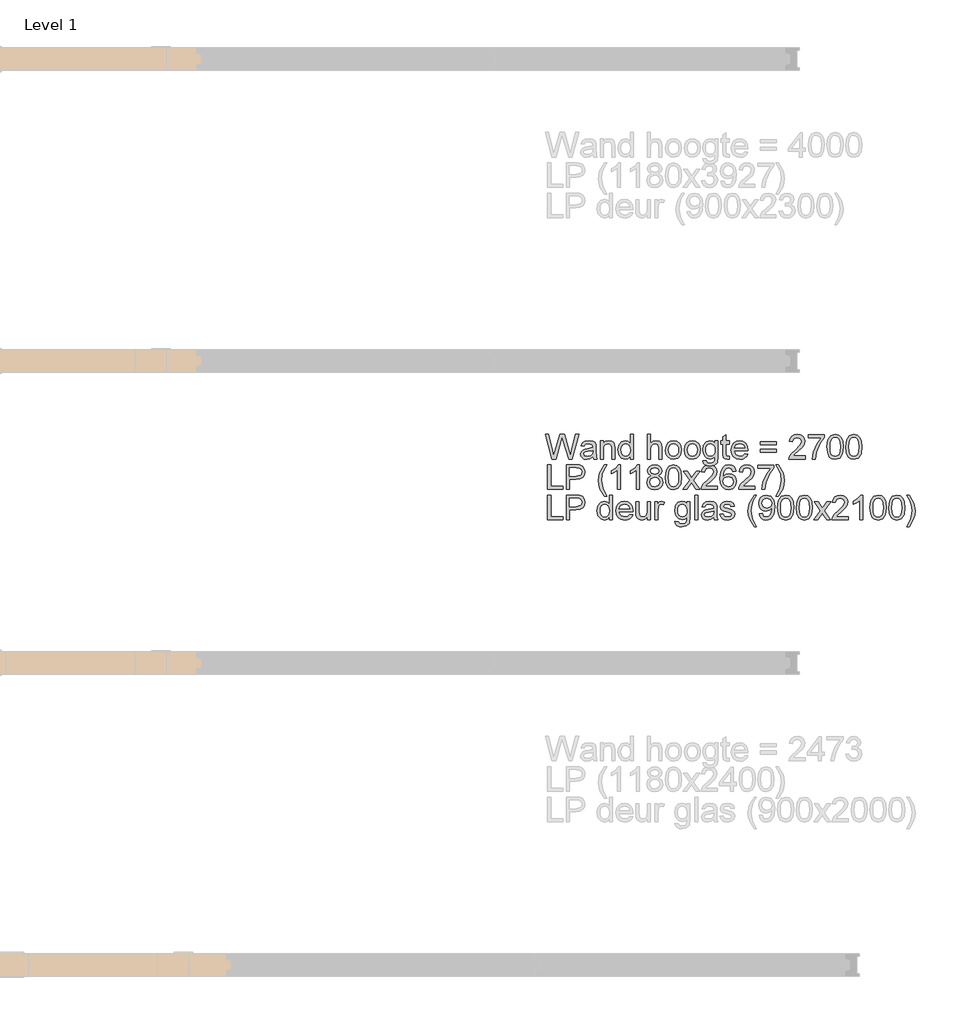
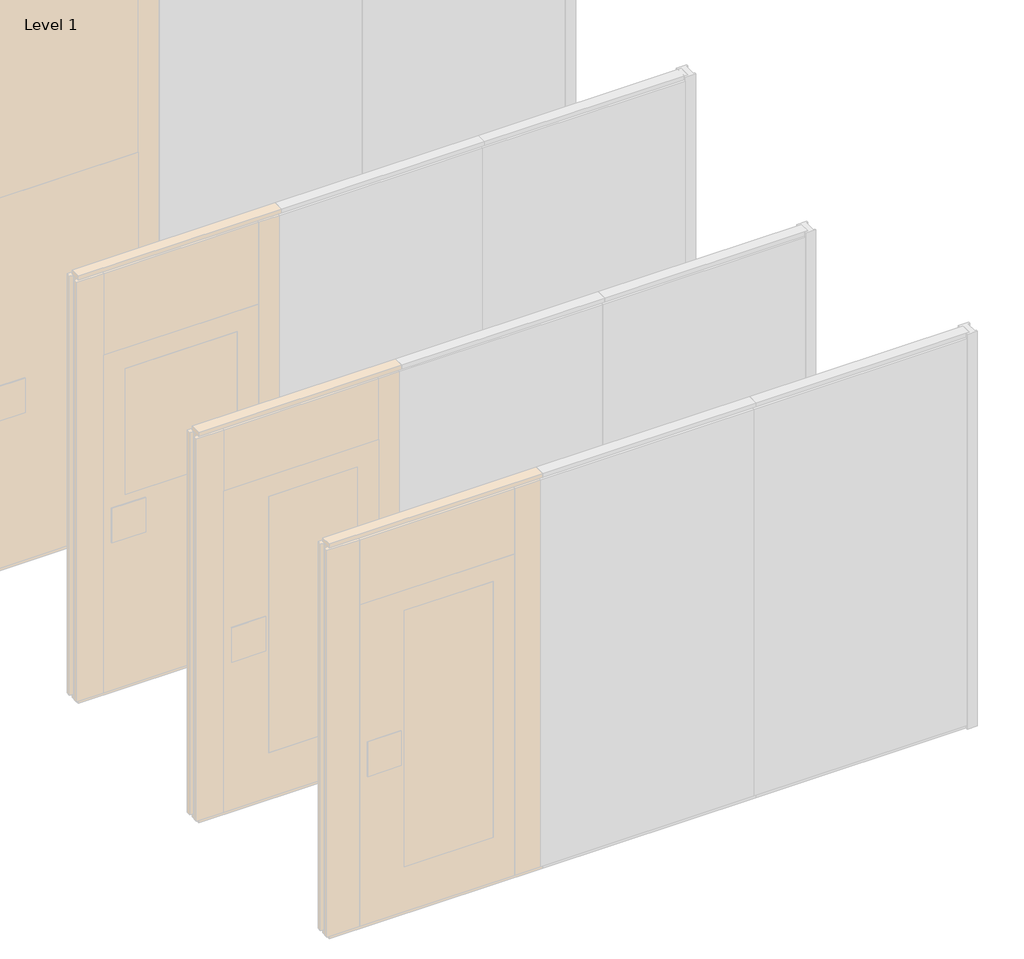
# One storey, part 14 of 17: 1 proxy.
"""IFC4 building model written with IfcOpenShell, lengths in millimetres."""

from ifc_helpers import new_model, si_unit, origin, origin_with_axes, place, context, project, spatial, polyline, outline, extrude, element, save

model = new_model("IFC4")

# Units and contexts
model_context = context("Model", 3, world=origin())
ifc_project = project(units=[si_unit("LENGTHUNIT", "METRE", prefix="MILLI")], contexts=[model_context])

# Site, building, storey
site = spatial("IfcSite", under=ifc_project)
building = spatial("IfcBuilding", under=site)
storey = spatial("IfcBuildingStorey", under=building, Name="Level 1", Elevation=0.0)

# Proxy
placement = place(None, origin())
element("IfcBuildingElementProxy", 1, Name="100 mm", ObjectType="100 mm", at=placement, inside=storey, context=model_context, shape_type="SweptSolid", body=[
    extrude(outline(polyline([(-2181.5016279, 2912.9102169), (-2208.3525894, 3011.3717554), (-2195.6602817, 3011.3717554), (-2180.0833587, 2946.6602169), (-2175.2756664, 2926.6842554), (-2170.1314356, 2944.3525246), (-2150.6122048, 3011.3717554), (-2132.3189356, 3011.3717554), (-2118.1362433, 2962.7900246), (-2107.5833587, 2926.6842554), (-2102.9198971, 2946.0832938), (-2087.1987433, 3011.3717554), (-2074.5064356, 3011.3717554), (-2101.3814356, 2912.9102169), (-2114.530474, 2912.9102169), (-2138.1362433, 2988.8717554), (-2141.4295125, 2999.4727169), (-2145.1314356, 2986.7082938), (-2166.6458587, 2912.9102169), (-2181.5016279, 2912.9102169)])), origin_with_axes(), (0.0, 0.0, 1.0), 5.0),
    extrude(outline(polyline([(-2017.5833587, 2922.1409861), (-2029.5184548, 2913.79964), (-2042.703551, 2911.3717554), (-2052.9890077, 2912.8320919), (-2060.5761471, 2917.2131015), (-2065.2546327, 2923.8657457), (-2066.8141279, 2932.1409861), (-2064.4583587, 2941.8765631), (-2058.2684548, 2948.9438707), (-2049.6506664, 2952.9823323), (-2039.0016279, 2954.8332938), (-2017.655474, 2959.0640631), (-2017.5833587, 2961.8044477), (-2020.9727817, 2970.8909861), (-2034.578551, 2974.4486784), (-2047.030474, 2972.08089), (-2052.967974, 2963.6794477), (-2065.2756664, 2965.2179092), (-2059.9511471, 2977.23714), (-2049.2299933, 2984.2804092), (-2032.9920125, 2986.7563707), (-2018.0761471, 2984.5688707), (-2009.6506664, 2979.0760823), (-2005.8766279, 2970.7227169), (-2005.2756664, 2959.9534861), (-2005.2756664, 2944.6409861), (-2004.6506664, 2923.2587746), (-2002.1987433, 2912.9102169), (-2014.5064356, 2912.9102169), (-2017.5833587, 2922.1409861)]), holes=[polyline([(-2017.5833587, 2946.7563707), (-2037.4391279, 2942.9823323), (-2048.0280702, 2940.98714), (-2052.8237433, 2937.7419477), (-2054.5064356, 2933.0063707), (-2050.8405702, 2926.3477169), (-2040.0833587, 2923.6794477), (-2027.6314356, 2926.6241592), (-2019.6025894, 2933.7515631), (-2017.655474, 2943.2707938), (-2017.5833587, 2946.7563707)])]), origin_with_axes(), (0.0, 0.0, 1.0), 5.0),
    extrude(outline(polyline([(-1988.3525894, 2912.9102169), (-1988.3525894, 2985.2179092), (-1976.0448971, 2985.2179092), (-1976.0448971, 2975.1217554), (-1966.6338394, 2983.8477169), (-1953.7852817, 2986.7563707), (-1942.1626856, 2984.4126207), (-1934.2299933, 2978.2587746), (-1930.5400894, 2969.2082938), (-1929.891051, 2957.3092554), (-1929.891051, 2912.9102169), (-1942.1987433, 2912.9102169), (-1942.1987433, 2955.6506015), (-1943.6170125, 2966.5400246), (-1948.6290317, 2972.2972361), (-1957.078551, 2974.4486784), (-1970.4319164, 2969.6169477), (-1974.6416519, 2962.6157457), (-1976.0448971, 2951.2756015), (-1976.0448971, 2912.9102169), (-1988.3525894, 2912.9102169)])), origin_with_axes(), (0.0, 0.0, 1.0), 5.0),
    extrude(outline(polyline([(-1868.3525894, 2912.9102169), (-1868.3525894, 2924.5207938), (-1876.4956183, 2914.659015), (-1887.7516279, 2911.3717554), (-1902.9920125, 2916.1313707), (-1913.7612433, 2929.4126207), (-1917.5833587, 2948.9919477), (-1914.061724, 2968.5832938), (-1903.5088394, 2982.0688707), (-1887.7997048, 2986.7563707), (-1876.453551, 2983.4030054), (-1868.3525894, 2974.6890631), (-1868.3525894, 3011.3717554), (-1856.0448971, 3011.3717554), (-1856.0448971, 2912.9102169), (-1868.3525894, 2912.9102169)]), holes=[polyline([(-1905.2756664, 2949.0400246), (-1903.8874452, 2937.9072121), (-1899.7227817, 2929.9895438), (-1893.671099, 2925.2569717), (-1886.6218202, 2923.6794477), (-1879.5755462, 2925.1848563), (-1873.6771087, 2929.7010823), (-1869.6837192, 2937.3122602), (-1868.3525894, 2948.1025246), (-1869.7077577, 2959.8993996), (-1873.7732625, 2968.0784861), (-1879.8219404, 2972.8561304), (-1887.1266279, 2974.4486784), (-1894.2480221, 2972.9192313), (-1900.0833587, 2968.33089), (-1903.9775894, 2960.4492794), (-1905.2756664, 2949.0400246)])]), origin_with_axes(), (0.0, 0.0, 1.0), 5.0),
    extrude(outline(polyline([(-1799.1218202, 2912.9102169), (-1799.1218202, 3011.3717554), (-1786.8141279, 3011.3717554), (-1786.8141279, 2975.1698323), (-1777.2167721, 2983.8597361), (-1765.3958587, 2986.7563707), (-1751.5737433, 2983.5953131), (-1743.1843202, 2974.8573323), (-1740.6602817, 2958.6794477), (-1740.6602817, 2912.9102169), (-1752.967974, 2912.9102169), (-1752.967974, 2957.4054092), (-1756.8862433, 2970.3861784), (-1767.9920125, 2974.4486784), (-1778.0761471, 2971.7082938), (-1784.8069164, 2964.2804092), (-1786.8141279, 2951.3236784), (-1786.8141279, 2912.9102169), (-1799.1218202, 2912.9102169)])), origin_with_axes(), (0.0, 0.0, 1.0), 5.0),
    extrude(outline(polyline([(-1726.8141279, 2949.0640631), (-1724.1518683, 2966.4979573), (-1716.1650894, 2978.7515631), (-1706.297301, 2984.7551688), (-1694.4823971, 2986.7563707), (-1681.5527096, 2984.3194717), (-1671.2251856, 2977.0087746), (-1664.4553539, 2965.4012025), (-1662.1987433, 2950.0736784), (-1666.1891279, 2928.17464), (-1677.811724, 2915.7828131), (-1694.4823971, 2911.3717554), (-1707.5683346, 2913.79964), (-1717.8838394, 2921.0832938), (-1724.5815558, 2932.9342554), (-1726.8141279, 2949.0640631)]), holes=[polyline([(-1714.5064356, 2949.0881015), (-1713.0821567, 2937.9492794), (-1708.8093202, 2930.0135823), (-1702.3790317, 2925.2629813), (-1694.4823971, 2923.6794477), (-1686.6218202, 2925.2719957), (-1680.203551, 2930.04964), (-1675.9307144, 2938.0905054), (-1674.5064356, 2949.4727169), (-1675.9397289, 2960.2870198), (-1680.2396087, 2968.1145438), (-1686.6668923, 2972.8651448), (-1694.4823971, 2974.4486784), (-1702.3790317, 2972.8711544), (-1708.8093202, 2968.1385823), (-1713.0821567, 2960.220914), (-1714.5064356, 2949.0881015)])]), origin_with_axes(), (0.0, 0.0, 1.0), 5.0),
    extrude(outline(polyline([(-1651.4295125, 2949.0640631), (-1648.7672529, 2966.4979573), (-1640.780474, 2978.7515631), (-1630.9126856, 2984.7551688), (-1619.0977817, 2986.7563707), (-1606.1680942, 2984.3194717), (-1595.8405702, 2977.0087746), (-1589.0707385, 2965.4012025), (-1586.8141279, 2950.0736784), (-1590.8045125, 2928.17464), (-1602.4271087, 2915.7828131), (-1619.0977817, 2911.3717554), (-1632.1837192, 2913.79964), (-1642.499224, 2921.0832938), (-1649.1969404, 2932.9342554), (-1651.4295125, 2949.0640631)]), holes=[polyline([(-1639.1218202, 2949.0881015), (-1637.6975414, 2937.9492794), (-1633.4247048, 2930.0135823), (-1626.9944164, 2925.2629813), (-1619.0977817, 2923.6794477), (-1611.2372048, 2925.2719957), (-1604.8189356, 2930.04964), (-1600.546099, 2938.0905054), (-1599.1218202, 2949.4727169), (-1600.5551135, 2960.2870198), (-1604.8549933, 2968.1145438), (-1611.2822769, 2972.8651448), (-1619.0977817, 2974.4486784), (-1626.9944164, 2972.8711544), (-1633.4247048, 2968.1385823), (-1637.6975414, 2960.220914), (-1639.1218202, 2949.0881015)])]), origin_with_axes(), (0.0, 0.0, 1.0), 5.0),
    extrude(outline(polyline([(-1576.0448971, 2906.7563707), (-1563.7372048, 2905.2179092), (-1559.7468202, 2898.7275246), (-1547.7997048, 2895.98714), (-1535.203551, 2899.0881015), (-1529.1939356, 2907.7900246), (-1528.3525894, 2922.1409861), (-1537.0184548, 2915.2179092), (-1547.5833587, 2912.9102169), (-1560.2726615, 2915.596515), (-1569.734801, 2923.6554092), (-1575.6212192, 2935.4703131), (-1577.5833587, 2949.42464), (-1574.061724, 2968.4991592), (-1563.8694164, 2981.9967554), (-1548.1843202, 2986.7563707), (-1537.2047529, 2984.0640631), (-1528.3525894, 2975.98714), (-1528.3525894, 2985.2179092), (-1516.0448971, 2985.2179092), (-1516.0448971, 2922.7900246), (-1519.4102817, 2898.8837746), (-1530.0713394, 2887.7659861), (-1548.0400894, 2883.6794477), (-1559.4914115, 2885.1187506), (-1568.5088394, 2889.4366592), (-1574.2930942, 2896.6451929), (-1576.0448971, 2906.7563707)]), holes=[polyline([(-1565.2756664, 2950.2659861), (-1563.9625654, 2938.9769236), (-1560.0232625, 2931.2155054), (-1554.1007865, 2926.7173082), (-1546.8381664, 2925.2179092), (-1539.6296327, 2926.7082938), (-1533.6771087, 2931.1794477), (-1529.6837192, 2938.8417073), (-1528.3525894, 2949.9054092), (-1529.7227817, 2960.5754813), (-1533.8333587, 2968.2587746), (-1539.8730221, 2972.9012025), (-1547.030474, 2974.4486784), (-1554.0587192, 2972.9252409), (-1559.9511471, 2968.3549284), (-1563.9445365, 2960.7858179), (-1565.2756664, 2950.2659861)])]), origin_with_axes(), (0.0, 0.0, 1.0), 5.0),
    extrude(outline(polyline([(-1471.4295125, 2923.17464), (-1469.891051, 2912.54964), (-1479.0977817, 2911.3717554), (-1489.4102817, 2913.4150246), (-1494.5545125, 2918.7756015), (-1496.0448971, 2932.7419477), (-1496.0448971, 2972.9102169), (-1505.2756664, 2972.9102169), (-1505.2756664, 2985.2179092), (-1496.0448971, 2985.2179092), (-1496.0448971, 3002.7900246), (-1483.7372048, 3010.0256015), (-1483.7372048, 2985.2179092), (-1471.4295125, 2985.2179092), (-1471.4295125, 2972.9102169), (-1483.7372048, 2972.9102169), (-1483.7372048, 2933.1025246), (-1483.0881664, 2926.7563707), (-1480.984801, 2924.5087746), (-1476.7900894, 2923.6794477), (-1471.4295125, 2923.17464)])), origin_with_axes(), (0.0, 0.0, 1.0), 5.0),
    extrude(outline(polyline([(-1408.4968202, 2934.4486784), (-1396.4295125, 2932.9102169), (-1400.7774692, 2923.8176688), (-1407.7155702, 2917.0207938), (-1417.0875654, 2912.784015), (-1428.7372048, 2911.3717554), (-1443.1783106, 2913.8086544), (-1454.2900894, 2921.1193515), (-1461.375426, 2932.8290871), (-1463.7372048, 2948.4631015), (-1461.3513875, 2964.6229573), (-1454.1939356, 2976.7082938), (-1443.2323971, 2984.2443515), (-1429.4343202, 2986.7563707), (-1416.0659308, 2984.2503611), (-1405.3838394, 2976.7323323), (-1398.3796327, 2964.6710342), (-1396.0448971, 2948.5352169), (-1396.1170125, 2945.2179092), (-1451.4295125, 2945.2179092), (-1449.2991039, 2936.0051688), (-1444.3501856, 2929.2323323), (-1428.4968202, 2923.6794477), (-1416.4295125, 2926.2515631), (-1408.4968202, 2934.4486784)]), holes=[polyline([(-1451.4295125, 2957.5256015), (-1408.3525894, 2957.5256015), (-1413.280474, 2968.6794477), (-1420.4559548, 2973.0063707), (-1429.4823971, 2974.4486784), (-1444.6386471, 2969.8453131), (-1451.4295125, 2957.5256015)])]), origin_with_axes(), (0.0, 0.0, 1.0), 5.0),
    extrude(outline(polyline([(-1282.1987433, 2969.8332938), (-1346.8141279, 2969.8332938), (-1346.8141279, 2982.1409861), (-1282.1987433, 2982.1409861), (-1282.1987433, 2969.8332938)])), origin_with_axes(), (0.0, 0.0, 1.0), 5.0),
    extrude(outline(polyline([(-1282.1987433, 2940.6025246), (-1346.8141279, 2940.6025246), (-1346.8141279, 2952.9102169), (-1282.1987433, 2952.9102169), (-1282.1987433, 2940.6025246)])), origin_with_axes(), (0.0, 0.0, 1.0), 5.0),
    extrude(outline(polyline([(-1166.8141279, 2925.2179092), (-1166.8141279, 2912.9102169), (-1231.4295125, 2912.9102169), (-1230.1073971, 2921.3957938), (-1222.6314356, 2934.4606977), (-1207.2227817, 2948.7275246), (-1185.9727817, 2969.2323323), (-1180.6602817, 2983.17464), (-1185.672301, 2994.4606977), (-1198.7612433, 2999.0640631), (-1212.4030702, 2994.5688707), (-1217.5833587, 2982.1409861), (-1229.891051, 2983.6794477), (-1226.9072769, 2995.5844957), (-1220.4559548, 3004.2804092), (-1210.8736231, 3009.5989188), (-1198.4968202, 3011.3717554), (-1186.0298731, 3009.4006015), (-1176.4655702, 3003.48714), (-1170.3808346, 2994.6530054), (-1168.3525894, 2983.9198323), (-1170.5400894, 2972.2491592), (-1177.811724, 2960.1818515), (-1195.4439356, 2943.3188707), (-1209.6025894, 2931.4799284), (-1215.155474, 2925.2179092), (-1166.8141279, 2925.2179092)])), origin_with_axes(), (0.0, 0.0, 1.0), 5.0),
    extrude(outline(polyline([(-1154.5064356, 2997.5256015), (-1154.5064356, 3009.8332938), (-1089.891051, 3009.8332938), (-1089.891051, 2999.8813707), (-1108.2203779, 2973.4030054), (-1122.2468202, 2939.6650246), (-1126.8141279, 2912.9102169), (-1139.1218202, 2912.9102169), (-1134.2299933, 2940.67464), (-1120.8045125, 2972.0568515), (-1102.1987433, 2997.5256015), (-1154.5064356, 2997.5256015)])), origin_with_axes(), (0.0, 0.0, 1.0), 5.0),
    extrude(outline(polyline([(-1079.1218202, 2961.3477169), (-1075.5040317, 2989.6770438), (-1064.7588394, 3006.0111784), (-1046.8141279, 3011.3717554), (-1032.4391279, 3008.1986784), (-1022.5112433, 2999.0520438), (-1016.7420125, 2984.4847361), (-1014.5064356, 2961.3477169), (-1018.0881664, 2933.1385823), (-1028.797301, 2916.76839), (-1046.8141279, 2911.3717554), (-1059.6025894, 2913.7155054), (-1069.3141279, 2920.7467554), (-1076.6698971, 2937.3993996), (-1079.1218202, 2961.3477169)]), holes=[polyline([(-1066.8141279, 2961.3717554), (-1065.3718202, 2942.0117794), (-1061.0448971, 2930.8068515), (-1054.6025894, 2925.4612986), (-1046.8141279, 2923.6794477), (-1039.0256664, 2925.4673082), (-1032.5833587, 2930.83089), (-1028.2564356, 2942.0418275), (-1026.8141279, 2961.3717554), (-1028.2083587, 2980.2960342), (-1032.391051, 2991.5881015), (-1038.8213394, 2997.1950727), (-1046.9583587, 2999.0640631), (-1054.6626856, 2997.4174284), (-1060.8525894, 2992.4775246), (-1065.3237433, 2980.4823323), (-1066.8141279, 2961.3717554)])]), origin_with_axes(), (0.0, 0.0, 1.0), 5.0),
    extrude(outline(polyline([(-1003.7372048, 2961.3477169), (-1000.1194164, 2989.6770438), (-989.374224, 3006.0111784), (-971.4295125, 3011.3717554), (-957.0545125, 3008.1986784), (-947.1266279, 2999.0520438), (-941.3573971, 2984.4847361), (-939.1218202, 2961.3477169), (-942.703551, 2933.1385823), (-953.4126856, 2916.76839), (-971.4295125, 2911.3717554), (-984.217974, 2913.7155054), (-993.9295125, 2920.7467554), (-1001.2852817, 2937.3993996), (-1003.7372048, 2961.3477169)]), holes=[polyline([(-991.4295125, 2961.3717554), (-989.9872048, 2942.0117794), (-985.6602817, 2930.8068515), (-979.217974, 2925.4612986), (-971.4295125, 2923.6794477), (-963.641051, 2925.4673082), (-957.1987433, 2930.83089), (-952.8718202, 2942.0418275), (-951.4295125, 2961.3717554), (-952.8237433, 2980.2960342), (-957.0064356, 2991.5881015), (-963.436724, 2997.1950727), (-971.5737433, 2999.0640631), (-979.2780702, 2997.4174284), (-985.467974, 2992.4775246), (-989.9391279, 2980.4823323), (-991.4295125, 2961.3717554)])]), origin_with_axes(), (0.0, 0.0, 1.0), 5.0),
    extrude(outline(polyline([(-2199.1218202, 2791.3717554), (-2199.1218202, 2889.8332938), (-2186.8141279, 2889.8332938), (-2186.8141279, 2803.6794477), (-2137.5833587, 2803.6794477), (-2137.5833587, 2791.3717554), (-2199.1218202, 2791.3717554)])), origin_with_axes(), (0.0, 0.0, 1.0), 5.0),
    extrude(outline(polyline([(-2123.7372048, 2791.3717554), (-2123.7372048, 2889.8332938), (-2087.2468202, 2889.8332938), (-2072.5352817, 2888.8957938), (-2060.5761471, 2884.2924284), (-2052.8237433, 2874.7731977), (-2049.891051, 2861.3477169), (-2051.8712192, 2849.7431496), (-2057.811724, 2840.0736784), (-2068.9204981, 2833.5472361), (-2086.405474, 2831.3717554), (-2111.4295125, 2831.3717554), (-2111.4295125, 2791.3717554), (-2123.7372048, 2791.3717554)]), holes=[polyline([(-2111.4295125, 2843.6794477), (-2085.6843202, 2843.6794477), (-2067.5593202, 2848.1986784), (-2063.5388875, 2853.6373804), (-2062.1987433, 2860.9150246), (-2065.359801, 2871.1073323), (-2073.6650894, 2876.6842554), (-2085.9727817, 2877.5256015), (-2111.4295125, 2877.5256015), (-2111.4295125, 2843.6794477)])]), origin_with_axes(), (0.0, 0.0, 1.0), 5.0),
    extrude(outline(polyline([(-1971.4295125, 2763.6794477), (-1988.905474, 2792.54964), (-1994.2600414, 2809.3885823), (-1996.0448971, 2826.8284861), (-1990.7083587, 2856.7563707), (-1971.4295125, 2889.8332938), (-1962.1987433, 2889.8332938), (-1973.7131664, 2870.3381015), (-1980.6362433, 2851.4438707), (-1983.7372048, 2826.7563707), (-1978.3525894, 2795.20589), (-1962.1987433, 2763.6794477), (-1971.4295125, 2763.6794477)])), origin_with_axes(), (0.0, 0.0, 1.0), 5.0),
    extrude(outline(polyline([(-1906.8141279, 2791.3717554), (-1919.1218202, 2791.3717554), (-1919.1218202, 2868.1025246), (-1930.780474, 2859.7972361), (-1943.7372048, 2853.5832938), (-1943.7372048, 2865.2179092), (-1925.6963394, 2876.7323323), (-1914.7468202, 2889.8332938), (-1906.8141279, 2889.8332938), (-1906.8141279, 2791.3717554)])), origin_with_axes(), (0.0, 0.0, 1.0), 5.0),
    extrude(outline(polyline([(-1831.4295125, 2791.3717554), (-1843.7372048, 2791.3717554), (-1843.7372048, 2868.1025246), (-1855.3958587, 2859.7972361), (-1868.3525894, 2853.5832938), (-1868.3525894, 2865.2179092), (-1850.311724, 2876.7323323), (-1839.3622048, 2889.8332938), (-1831.4295125, 2889.8332938), (-1831.4295125, 2791.3717554)])), origin_with_axes(), (0.0, 0.0, 1.0), 5.0),
    extrude(outline(polyline([(-1784.266051, 2845.6025246), (-1795.4799933, 2853.2467554), (-1799.1218202, 2865.1457938), (-1797.1386471, 2874.7671881), (-1791.1891279, 2882.7179092), (-1781.9403298, 2888.0544477), (-1770.0593202, 2889.8332938), (-1758.1061952, 2888.0123804), (-1748.7372048, 2882.54964), (-1742.6795125, 2874.4727169), (-1740.6602817, 2864.8092554), (-1744.2540317, 2853.2106977), (-1755.155474, 2845.6025246), (-1742.0665317, 2835.9510823), (-1737.5833587, 2820.0256015), (-1739.8069164, 2808.2587746), (-1746.4775894, 2798.5352169), (-1756.7780702, 2792.0087746), (-1769.891051, 2789.8332938), (-1783.0040317, 2792.017789), (-1793.3045125, 2798.5712746), (-1799.9751856, 2808.3879813), (-1802.1987433, 2820.36214), (-1797.5352817, 2836.6602169), (-1784.266051, 2845.6025246)]), holes=[polyline([(-1789.891051, 2820.7948323), (-1787.8357625, 2811.5280054), (-1780.5641279, 2804.5929092), (-1769.7948971, 2802.1409861), (-1755.1314356, 2807.2972361), (-1749.891051, 2820.4102169), (-1755.2997048, 2833.7756015), (-1761.7299933, 2837.7419477), (-1770.203551, 2839.0640631), (-1784.686724, 2833.8477169), (-1789.891051, 2820.7948323)]), polyline([(-1786.8141279, 2864.7852169), (-1782.4511471, 2855.1217554), (-1769.7468202, 2851.3717554), (-1757.2948971, 2855.0977169), (-1752.967974, 2864.2323323), (-1757.4391279, 2873.6914669), (-1769.891051, 2877.5256015), (-1782.3790317, 2873.7756015), (-1786.8141279, 2864.7852169)])]), origin_with_axes(), (0.0, 0.0, 1.0), 5.0),
    extrude(outline(polyline([(-1726.8141279, 2839.8092554), (-1723.1963394, 2868.1385823), (-1712.4511471, 2884.4727169), (-1694.5064356, 2889.8332938), (-1680.1314356, 2886.6602169), (-1670.203551, 2877.5135823), (-1664.4343202, 2862.9462746), (-1662.1987433, 2839.8092554), (-1665.780474, 2811.6001207), (-1676.4896087, 2795.2299284), (-1694.5064356, 2789.8332938), (-1707.2948971, 2792.1770438), (-1717.0064356, 2799.2082938), (-1724.3622048, 2815.8609381), (-1726.8141279, 2839.8092554)]), holes=[polyline([(-1714.5064356, 2839.8332938), (-1713.0641279, 2820.4733179), (-1708.7372048, 2809.26839), (-1702.2948971, 2803.9228371), (-1694.5064356, 2802.1409861), (-1686.717974, 2803.9288467), (-1680.2756664, 2809.2924284), (-1675.9487433, 2820.5033659), (-1674.5064356, 2839.8332938), (-1675.9006664, 2858.7575727), (-1680.0833587, 2870.04964), (-1686.5136471, 2875.6566111), (-1694.6506664, 2877.5256015), (-1702.3549933, 2875.8789669), (-1708.5448971, 2870.9390631), (-1713.016051, 2858.9438707), (-1714.5064356, 2839.8332938)])]), origin_with_axes(), (0.0, 0.0, 1.0), 5.0),
    extrude(outline(polyline([(-1656.0448971, 2791.3717554), (-1629.7468202, 2827.7179092), (-1654.5064356, 2863.6794477), (-1639.6987433, 2863.6794477), (-1627.7516279, 2846.3717554), (-1622.1747048, 2838.1986784), (-1617.342974, 2844.8813707), (-1603.7372048, 2863.6794477), (-1588.9295125, 2863.6794477), (-1614.9391279, 2827.7179092), (-1589.891051, 2791.3717554), (-1604.6987433, 2791.3717554), (-1619.7708587, 2813.2227169), (-1622.5352817, 2817.2131015), (-1641.2372048, 2791.3717554), (-1656.0448971, 2791.3717554)])), origin_with_axes(), (0.0, 0.0, 1.0), 5.0),
    extrude(outline(polyline([(-1519.1218202, 2803.6794477), (-1519.1218202, 2791.3717554), (-1583.7372048, 2791.3717554), (-1582.4150894, 2799.8573323), (-1574.9391279, 2812.9222361), (-1559.530474, 2827.1890631), (-1538.280474, 2847.6938707), (-1532.967974, 2861.6361784), (-1537.9799933, 2872.9222361), (-1551.0689356, 2877.5256015), (-1564.7107625, 2873.0304092), (-1569.891051, 2860.6025246), (-1582.1987433, 2862.1409861), (-1579.2149692, 2874.0460342), (-1572.7636471, 2882.7419477), (-1563.1813154, 2888.0604573), (-1550.8045125, 2889.8332938), (-1538.3375654, 2887.86214), (-1528.7732625, 2881.9486784), (-1522.6885269, 2873.1145438), (-1520.6602817, 2862.3813707), (-1522.8477817, 2850.7106977), (-1530.1194164, 2838.64339), (-1547.7516279, 2821.7804092), (-1561.9102817, 2809.9414669), (-1567.4631664, 2803.6794477), (-1519.1218202, 2803.6794477)])), origin_with_axes(), (0.0, 0.0, 1.0), 5.0),
    extrude(outline(polyline([(-1443.7372048, 2863.6794477), (-1456.0448971, 2862.1409861), (-1460.7083587, 2872.4054092), (-1473.0400894, 2877.5256015), (-1484.1458587, 2874.5448323), (-1492.547301, 2863.3549284), (-1496.0448971, 2841.4198323), (-1485.1915317, 2851.2395438), (-1471.7420125, 2854.4486784), (-1460.3718202, 2852.2551688), (-1450.828551, 2845.67464), (-1444.3561952, 2835.6205534), (-1442.1987433, 2823.0063707), (-1446.2612433, 2806.0231977), (-1457.4391279, 2794.0039669), (-1473.5689356, 2789.8332938), (-1487.5322769, 2792.5977169), (-1498.6530702, 2800.8909861), (-1505.9277096, 2815.5304092), (-1508.3525894, 2837.3332938), (-1505.6602817, 2861.846515), (-1497.5833587, 2878.6073323), (-1486.5557144, 2887.0268034), (-1472.2708587, 2889.8332938), (-1461.4715798, 2888.096515), (-1452.8237433, 2882.8861784), (-1446.766051, 2874.6109381), (-1443.7372048, 2863.6794477)]), holes=[polyline([(-1496.0448971, 2823.1986784), (-1493.1963394, 2812.5376207), (-1485.624224, 2804.7972361), (-1474.530474, 2802.1409861), (-1466.4084789, 2803.5171881), (-1460.0232625, 2807.6457938), (-1455.8856423, 2814.1361784), (-1454.5064356, 2822.5977169), (-1455.8676135, 2830.7197121), (-1459.9511471, 2836.9126207), (-1475.0352817, 2842.1409861), (-1489.9271087, 2836.9126207), (-1494.51545, 2830.8699525), (-1496.0448971, 2823.1986784)])]), origin_with_axes(), (0.0, 0.0, 1.0), 5.0),
    extrude(outline(polyline([(-1368.3525894, 2803.6794477), (-1368.3525894, 2791.3717554), (-1432.967974, 2791.3717554), (-1431.6458587, 2799.8573323), (-1424.1698971, 2812.9222361), (-1408.7612433, 2827.1890631), (-1387.5112433, 2847.6938707), (-1382.1987433, 2861.6361784), (-1387.2107625, 2872.9222361), (-1400.2997048, 2877.5256015), (-1413.9415317, 2873.0304092), (-1419.1218202, 2860.6025246), (-1431.4295125, 2862.1409861), (-1428.4457385, 2874.0460342), (-1421.9944164, 2882.7419477), (-1412.4120846, 2888.0604573), (-1400.0352817, 2889.8332938), (-1387.5683346, 2887.86214), (-1378.0040317, 2881.9486784), (-1371.9192962, 2873.1145438), (-1369.891051, 2862.3813707), (-1372.078551, 2850.7106977), (-1379.3501856, 2838.64339), (-1396.9823971, 2821.7804092), (-1411.141051, 2809.9414669), (-1416.6939356, 2803.6794477), (-1368.3525894, 2803.6794477)])), origin_with_axes(), (0.0, 0.0, 1.0), 5.0),
    extrude(outline(polyline([(-1356.0448971, 2875.98714), (-1356.0448971, 2888.2948323), (-1291.4295125, 2888.2948323), (-1291.4295125, 2878.3429092), (-1309.7588394, 2851.8645438), (-1323.7852817, 2818.1265631), (-1328.3525894, 2791.3717554), (-1340.6602817, 2791.3717554), (-1335.7684548, 2819.1361784), (-1322.342974, 2850.51839), (-1303.7372048, 2875.98714), (-1356.0448971, 2875.98714)])), origin_with_axes(), (0.0, 0.0, 1.0), 5.0),
    extrude(outline(polyline([(-1274.5064356, 2763.6794477), (-1283.7372048, 2763.6794477), (-1267.5833587, 2795.20589), (-1262.1987433, 2826.7563707), (-1265.2997048, 2851.2275246), (-1272.1506664, 2870.1457938), (-1283.7372048, 2889.8332938), (-1274.5064356, 2889.8332938), (-1255.2275894, 2856.7563707), (-1249.891051, 2826.8284861), (-1251.6849212, 2809.3885823), (-1257.0665317, 2792.54964), (-1274.5064356, 2763.6794477)])), origin_with_axes(), (0.0, 0.0, 1.0), 5.0),
    extrude(outline(polyline([(-2199.1218202, 2669.8332938), (-2199.1218202, 2768.2948323), (-2186.8141279, 2768.2948323), (-2186.8141279, 2682.1409861), (-2137.5833587, 2682.1409861), (-2137.5833587, 2669.8332938), (-2199.1218202, 2669.8332938)])), origin_with_axes(), (0.0, 0.0, 1.0), 5.0),
    extrude(outline(polyline([(-2123.7372048, 2669.8332938), (-2123.7372048, 2768.2948323), (-2087.2468202, 2768.2948323), (-2072.5352817, 2767.3573323), (-2060.5761471, 2762.7539669), (-2052.8237433, 2753.2347361), (-2049.891051, 2739.8092554), (-2051.8712192, 2728.2046881), (-2057.811724, 2718.5352169), (-2068.9204981, 2712.0087746), (-2086.405474, 2709.8332938), (-2111.4295125, 2709.8332938), (-2111.4295125, 2669.8332938), (-2123.7372048, 2669.8332938)]), holes=[polyline([(-2111.4295125, 2722.1409861), (-2085.6843202, 2722.1409861), (-2067.5593202, 2726.6602169), (-2063.5388875, 2732.0989188), (-2062.1987433, 2739.3765631), (-2065.359801, 2749.5688707), (-2073.6650894, 2755.1457938), (-2085.9727817, 2755.98714), (-2111.4295125, 2755.98714), (-2111.4295125, 2722.1409861)])]), origin_with_axes(), (0.0, 0.0, 1.0), 5.0),
    extrude(outline(polyline([(-1951.4295125, 2669.8332938), (-1951.4295125, 2681.4438707), (-1959.5725414, 2671.5820919), (-1970.828551, 2668.2948323), (-1986.0689356, 2673.0544477), (-1996.8381664, 2686.3356977), (-2000.6602817, 2705.9150246), (-1997.1386471, 2725.5063707), (-1986.5857625, 2738.9919477), (-1970.8766279, 2743.6794477), (-1959.530474, 2740.3260823), (-1951.4295125, 2731.61214), (-1951.4295125, 2768.2948323), (-1939.1218202, 2768.2948323), (-1939.1218202, 2669.8332938), (-1951.4295125, 2669.8332938)]), holes=[polyline([(-1988.3525894, 2705.9631015), (-1986.9643683, 2694.830289), (-1982.7997048, 2686.9126207), (-1976.7480221, 2682.1800486), (-1969.6987433, 2680.6025246), (-1962.6524692, 2682.1079332), (-1956.7540317, 2686.6241592), (-1952.7606423, 2694.2353371), (-1951.4295125, 2705.0256015), (-1952.7846808, 2716.8224765), (-1956.8501856, 2725.0015631), (-1962.8988635, 2729.7792073), (-1970.203551, 2731.3717554), (-1977.3249452, 2729.8423082), (-1983.1602817, 2725.2539669), (-1987.0545125, 2717.3723563), (-1988.3525894, 2705.9631015)])]), origin_with_axes(), (0.0, 0.0, 1.0), 5.0),
    extrude(outline(polyline([(-1870.0352817, 2691.3717554), (-1857.967974, 2689.8332938), (-1862.3159308, 2680.7407457), (-1869.2540317, 2673.9438707), (-1878.6260269, 2669.7070919), (-1890.2756664, 2668.2948323), (-1904.7167721, 2670.7317313), (-1915.828551, 2678.0424284), (-1922.9138875, 2689.752164), (-1925.2756664, 2705.3861784), (-1922.889849, 2721.5460342), (-1915.7323971, 2733.6313707), (-1904.7708587, 2741.1674284), (-1890.9727817, 2743.6794477), (-1877.6043923, 2741.1734381), (-1866.922301, 2733.6554092), (-1859.9180942, 2721.5941111), (-1857.5833587, 2705.4582938), (-1857.655474, 2702.1409861), (-1912.967974, 2702.1409861), (-1910.8375654, 2692.9282457), (-1905.8886471, 2686.1554092), (-1890.0352817, 2680.6025246), (-1877.967974, 2683.17464), (-1870.0352817, 2691.3717554)]), holes=[polyline([(-1912.967974, 2714.4486784), (-1869.891051, 2714.4486784), (-1874.8189356, 2725.6025246), (-1881.9944164, 2729.9294477), (-1891.0208587, 2731.3717554), (-1906.1771087, 2726.76839), (-1912.967974, 2714.4486784)])]), origin_with_axes(), (0.0, 0.0, 1.0), 5.0),
    extrude(outline(polyline([(-1799.1218202, 2669.8332938), (-1799.1218202, 2682.2611784), (-1808.7612433, 2671.7864188), (-1821.3333587, 2668.2948323), (-1832.9078779, 2670.7467554), (-1840.8886471, 2676.9006015), (-1844.5545125, 2685.9631015), (-1845.2756664, 2697.4054092), (-1845.2756664, 2742.1409861), (-1832.967974, 2742.1409861), (-1832.967974, 2703.1986784), (-1832.2227817, 2690.6506015), (-1827.3549933, 2683.2828131), (-1818.1843202, 2680.6025246), (-1807.9078779, 2683.3429092), (-1801.1170125, 2690.8068515), (-1799.1218202, 2704.5207938), (-1799.1218202, 2742.1409861), (-1786.8141279, 2742.1409861), (-1786.8141279, 2669.8332938), (-1799.1218202, 2669.8332938)])), origin_with_axes(), (0.0, 0.0, 1.0), 5.0),
    extrude(outline(polyline([(-1769.891051, 2669.8332938), (-1769.891051, 2742.1409861), (-1759.1218202, 2742.1409861), (-1759.1218202, 2731.4438707), (-1751.4775894, 2741.29964), (-1743.7852817, 2743.6794477), (-1731.4295125, 2739.8813707), (-1735.5400894, 2728.8477169), (-1744.1939356, 2731.3717554), (-1751.1530702, 2728.9438707), (-1755.5881664, 2722.2131015), (-1757.5833587, 2707.8381015), (-1757.5833587, 2669.8332938), (-1769.891051, 2669.8332938)])), origin_with_axes(), (0.0, 0.0, 1.0), 5.0),
    extrude(outline(polyline([(-1688.3525894, 2663.6794477), (-1676.0448971, 2662.1409861), (-1672.0545125, 2655.6506015), (-1660.1073971, 2652.9102169), (-1647.5112433, 2656.0111784), (-1641.5016279, 2664.7131015), (-1640.6602817, 2679.0640631), (-1649.3261471, 2672.1409861), (-1659.891051, 2669.8332938), (-1672.5803539, 2672.5195919), (-1682.0424933, 2680.5784861), (-1687.9289115, 2692.39339), (-1689.891051, 2706.3477169), (-1686.3694164, 2725.4222361), (-1676.1771087, 2738.9198323), (-1660.4920125, 2743.6794477), (-1649.5124452, 2740.98714), (-1640.6602817, 2732.9102169), (-1640.6602817, 2742.1409861), (-1628.3525894, 2742.1409861), (-1628.3525894, 2679.7131015), (-1631.717974, 2655.8068515), (-1642.3790317, 2644.6890631), (-1660.3477817, 2640.6025246), (-1671.7991039, 2642.0418275), (-1680.8165317, 2646.3597361), (-1686.6007865, 2653.5682698), (-1688.3525894, 2663.6794477)]), holes=[polyline([(-1677.5833587, 2707.1890631), (-1676.2702577, 2695.9000006), (-1672.3309548, 2688.1385823), (-1666.4084789, 2683.6403852), (-1659.1458587, 2682.1409861), (-1651.937325, 2683.6313707), (-1645.984801, 2688.1025246), (-1641.9914115, 2695.7647842), (-1640.6602817, 2706.8284861), (-1642.030474, 2717.4985582), (-1646.141051, 2725.1818515), (-1652.1807144, 2729.8242794), (-1659.3381664, 2731.3717554), (-1666.3664115, 2729.8483179), (-1672.2588394, 2725.2780054), (-1676.2522289, 2717.7088948), (-1677.5833587, 2707.1890631)])]), origin_with_axes(), (0.0, 0.0, 1.0), 5.0),
    extrude(outline(polyline([(-1609.891051, 2669.8332938), (-1609.891051, 2768.2948323), (-1597.5833587, 2768.2948323), (-1597.5833587, 2669.8332938), (-1609.891051, 2669.8332938)])), origin_with_axes(), (0.0, 0.0, 1.0), 5.0),
    extrude(outline(polyline([(-1532.967974, 2679.0640631), (-1544.9030702, 2670.7227169), (-1558.0881664, 2668.2948323), (-1568.3736231, 2669.7551688), (-1575.9607625, 2674.1361784), (-1580.6392481, 2680.7888227), (-1582.1987433, 2689.0640631), (-1579.842974, 2698.79964), (-1573.6530702, 2705.8669477), (-1565.0352817, 2709.9054092), (-1554.3862433, 2711.7563707), (-1533.0400894, 2715.98714), (-1532.967974, 2718.7275246), (-1536.3573971, 2727.8140631), (-1549.9631664, 2731.3717554), (-1562.4150894, 2729.0039669), (-1568.3525894, 2720.6025246), (-1580.6602817, 2722.1409861), (-1575.3357625, 2734.1602169), (-1564.6146087, 2741.2034861), (-1548.3766279, 2743.6794477), (-1533.4607625, 2741.4919477), (-1525.0352817, 2735.9991592), (-1521.2612433, 2727.6457938), (-1520.6602817, 2716.8765631), (-1520.6602817, 2701.5640631), (-1520.0352817, 2680.1818515), (-1517.5833587, 2669.8332938), (-1529.891051, 2669.8332938), (-1532.967974, 2679.0640631)]), holes=[polyline([(-1532.967974, 2703.6794477), (-1552.8237433, 2699.9054092), (-1563.4126856, 2697.9102169), (-1568.2083587, 2694.6650246), (-1569.891051, 2689.9294477), (-1566.2251856, 2683.2707938), (-1555.467974, 2680.6025246), (-1543.016051, 2683.5472361), (-1534.9872048, 2690.67464), (-1533.0400894, 2700.1938707), (-1532.967974, 2703.6794477)])]), origin_with_axes(), (0.0, 0.0, 1.0), 5.0),
    extrude(outline(polyline([(-1508.3525894, 2691.3717554), (-1496.0448971, 2692.9102169), (-1490.3477817, 2683.7756015), (-1477.2948971, 2680.6025246), (-1464.7468202, 2683.5111784), (-1460.6602817, 2690.3381015), (-1464.7708587, 2695.8669477), (-1477.4391279, 2699.3765631), (-1495.9727817, 2705.3981977), (-1504.061724, 2712.4294477), (-1506.8141279, 2722.3573323), (-1504.6025894, 2731.5280054), (-1498.5689356, 2738.5352169), (-1490.7444164, 2742.1770438), (-1480.155474, 2743.6794477), (-1465.1795125, 2741.2635823), (-1455.6602817, 2734.7251207), (-1451.4295125, 2723.6794477), (-1463.7372048, 2722.1409861), (-1468.3646087, 2728.9318515), (-1479.1939356, 2731.3717554), (-1490.9727817, 2729.0400246), (-1494.5064356, 2723.6073323), (-1493.0400894, 2720.0256015), (-1488.4487433, 2717.3092554), (-1477.8477817, 2714.6890631), (-1459.7828779, 2708.8957938), (-1451.3934548, 2702.3332938), (-1448.3525894, 2691.6361784), (-1451.922301, 2679.8573323), (-1462.2227817, 2671.3116592), (-1477.4631664, 2668.2948323), (-1489.8730221, 2669.7491592), (-1498.9295125, 2674.11214), (-1504.9751856, 2681.3356977), (-1508.3525894, 2691.3717554)])), origin_with_axes(), (0.0, 0.0, 1.0), 5.0),
    extrude(outline(polyline([(-1371.4295125, 2642.1409861), (-1388.905474, 2671.0111784), (-1394.2600414, 2687.8501207), (-1396.0448971, 2705.2900246), (-1390.7083587, 2735.2179092), (-1371.4295125, 2768.2948323), (-1362.1987433, 2768.2948323), (-1373.7131664, 2748.79964), (-1380.6362433, 2729.9054092), (-1383.7372048, 2705.2179092), (-1378.3525894, 2673.6674284), (-1362.1987433, 2642.1409861), (-1371.4295125, 2642.1409861)])), origin_with_axes(), (0.0, 0.0, 1.0), 5.0),
    extrude(outline(polyline([(-1351.4295125, 2694.4486784), (-1339.1218202, 2695.98714), (-1333.592974, 2684.2443515), (-1323.1122048, 2680.6025246), (-1313.1482625, 2682.9462746), (-1306.3934548, 2689.2082938), (-1302.3670125, 2699.9054092), (-1300.5881664, 2714.1842554), (-1300.6602817, 2716.5881015), (-1310.5040317, 2707.2611784), (-1324.0016279, 2703.6794477), (-1335.2245846, 2705.8669477), (-1344.5665317, 2712.4294477), (-1350.8676135, 2722.5676688), (-1352.967974, 2735.4823323), (-1350.76545, 2748.8236784), (-1344.1578779, 2759.2804092), (-1334.2329981, 2766.0412265), (-1322.078551, 2768.2948323), (-1304.5424933, 2763.1506015), (-1292.4751856, 2748.48714), (-1288.3525894, 2720.9390631), (-1292.4631664, 2691.0472361), (-1304.686724, 2674.11214), (-1313.4938154, 2669.7491592), (-1323.6891279, 2668.2948323), (-1334.2119644, 2670.0105775), (-1342.6073971, 2675.1578131), (-1348.4787914, 2683.4120198), (-1351.4295125, 2694.4486784)]), holes=[polyline([(-1300.6602817, 2735.7707938), (-1305.9727817, 2750.5304092), (-1320.0833587, 2755.98714), (-1328.3045125, 2754.517789), (-1334.891051, 2750.1097361), (-1339.217974, 2743.3639429), (-1340.6602817, 2734.8813707), (-1335.203551, 2721.2395438), (-1320.4198971, 2715.98714), (-1306.2251856, 2721.2395438), (-1302.0515077, 2727.4985582), (-1300.6602817, 2735.7707938)])]), origin_with_axes(), (0.0, 0.0, 1.0), 5.0),
    extrude(outline(polyline([(-1277.5833587, 2718.2707938), (-1273.9655702, 2746.6001207), (-1263.2203779, 2762.9342554), (-1245.2756664, 2768.2948323), (-1230.9006664, 2765.1217554), (-1220.9727817, 2755.9751207), (-1215.203551, 2741.4078131), (-1212.967974, 2718.2707938), (-1216.5497048, 2690.0616592), (-1227.2588394, 2673.6914669), (-1245.2756664, 2668.2948323), (-1258.0641279, 2670.6385823), (-1267.7756664, 2677.6698323), (-1275.1314356, 2694.3224765), (-1277.5833587, 2718.2707938)]), holes=[polyline([(-1265.2756664, 2718.2948323), (-1263.8333587, 2698.9348563), (-1259.5064356, 2687.7299284), (-1253.0641279, 2682.3843756), (-1245.2756664, 2680.6025246), (-1237.4872048, 2682.3903852), (-1231.0448971, 2687.7539669), (-1226.717974, 2698.9649044), (-1225.2756664, 2718.2948323), (-1226.6698971, 2737.2191111), (-1230.8525894, 2748.5111784), (-1237.2828779, 2754.1181496), (-1245.4198971, 2755.98714), (-1253.124224, 2754.3405054), (-1259.3141279, 2749.4006015), (-1263.7852817, 2737.4054092), (-1265.2756664, 2718.2948323)])]), origin_with_axes(), (0.0, 0.0, 1.0), 5.0),
    extrude(outline(polyline([(-1202.1987433, 2718.2707938), (-1198.5809548, 2746.6001207), (-1187.8357625, 2762.9342554), (-1169.891051, 2768.2948323), (-1155.516051, 2765.1217554), (-1145.5881664, 2755.9751207), (-1139.8189356, 2741.4078131), (-1137.5833587, 2718.2707938), (-1141.1650894, 2690.0616592), (-1151.874224, 2673.6914669), (-1169.891051, 2668.2948323), (-1182.6795125, 2670.6385823), (-1192.391051, 2677.6698323), (-1199.7468202, 2694.3224765), (-1202.1987433, 2718.2707938)]), holes=[polyline([(-1189.891051, 2718.2948323), (-1188.4487433, 2698.9348563), (-1184.1218202, 2687.7299284), (-1177.6795125, 2682.3843756), (-1169.891051, 2680.6025246), (-1162.1025894, 2682.3903852), (-1155.6602817, 2687.7539669), (-1151.3333587, 2698.9649044), (-1149.891051, 2718.2948323), (-1151.2852817, 2737.2191111), (-1155.467974, 2748.5111784), (-1161.8982625, 2754.1181496), (-1170.0352817, 2755.98714), (-1177.7396087, 2754.3405054), (-1183.9295125, 2749.4006015), (-1188.4006664, 2737.4054092), (-1189.891051, 2718.2948323)])]), origin_with_axes(), (0.0, 0.0, 1.0), 5.0),
    extrude(outline(polyline([(-1131.4295125, 2669.8332938), (-1105.1314356, 2706.1794477), (-1129.891051, 2742.1409861), (-1115.0833587, 2742.1409861), (-1103.1362433, 2724.8332938), (-1097.5593202, 2716.6602169), (-1092.7275894, 2723.3429092), (-1079.1218202, 2742.1409861), (-1064.3141279, 2742.1409861), (-1090.3237433, 2706.1794477), (-1065.2756664, 2669.8332938), (-1080.0833587, 2669.8332938), (-1095.155474, 2691.6842554), (-1097.9198971, 2695.67464), (-1116.6218202, 2669.8332938), (-1131.4295125, 2669.8332938)])), origin_with_axes(), (0.0, 0.0, 1.0), 5.0),
    extrude(outline(polyline([(-994.5064356, 2682.1409861), (-994.5064356, 2669.8332938), (-1059.1218202, 2669.8332938), (-1057.7997048, 2678.3188707), (-1050.3237433, 2691.3837746), (-1034.9150894, 2705.6506015), (-1013.6650894, 2726.1554092), (-1008.3525894, 2740.0977169), (-1013.3646087, 2751.3837746), (-1026.453551, 2755.98714), (-1040.0953779, 2751.4919477), (-1045.2756664, 2739.0640631), (-1057.5833587, 2740.6025246), (-1054.5995846, 2752.5075727), (-1048.1482625, 2761.2034861), (-1038.5659308, 2766.5219957), (-1026.1891279, 2768.2948323), (-1013.7221808, 2766.3236784), (-1004.1578779, 2760.4102169), (-998.0731423, 2751.5760823), (-996.0448971, 2740.8429092), (-998.2323971, 2729.1722361), (-1005.5040317, 2717.1049284), (-1023.1362433, 2700.2419477), (-1037.2948971, 2688.4030054), (-1042.8477817, 2682.1409861), (-994.5064356, 2682.1409861)])), origin_with_axes(), (0.0, 0.0, 1.0), 5.0),
    extrude(outline(polyline([(-936.0448971, 2669.8332938), (-948.3525894, 2669.8332938), (-948.3525894, 2746.5640631), (-960.0112433, 2738.2587746), (-972.967974, 2732.0448323), (-972.967974, 2743.6794477), (-954.9271087, 2755.1938707), (-943.9775894, 2768.2948323), (-936.0448971, 2768.2948323), (-936.0448971, 2669.8332938)])), origin_with_axes(), (0.0, 0.0, 1.0), 5.0),
    extrude(outline(polyline([(-906.8141279, 2718.2707938), (-903.1963394, 2746.6001207), (-892.4511471, 2762.9342554), (-874.5064356, 2768.2948323), (-860.1314356, 2765.1217554), (-850.203551, 2755.9751207), (-844.4343202, 2741.4078131), (-842.1987433, 2718.2707938), (-845.780474, 2690.0616592), (-856.4896087, 2673.6914669), (-874.5064356, 2668.2948323), (-887.2948971, 2670.6385823), (-897.0064356, 2677.6698323), (-904.3622048, 2694.3224765), (-906.8141279, 2718.2707938)]), holes=[polyline([(-894.5064356, 2718.2948323), (-893.0641279, 2698.9348563), (-888.7372048, 2687.7299284), (-882.2948971, 2682.3843756), (-874.5064356, 2680.6025246), (-866.717974, 2682.3903852), (-860.2756664, 2687.7539669), (-855.9487433, 2698.9649044), (-854.5064356, 2718.2948323), (-855.9006664, 2737.2191111), (-860.0833587, 2748.5111784), (-866.5136471, 2754.1181496), (-874.6506664, 2755.98714), (-882.3549933, 2754.3405054), (-888.5448971, 2749.4006015), (-893.016051, 2737.4054092), (-894.5064356, 2718.2948323)])]), origin_with_axes(), (0.0, 0.0, 1.0), 5.0),
    extrude(outline(polyline([(-831.4295125, 2718.2707938), (-827.811724, 2746.6001207), (-817.0665317, 2762.9342554), (-799.1218202, 2768.2948323), (-784.7468202, 2765.1217554), (-774.8189356, 2755.9751207), (-769.0497048, 2741.4078131), (-766.8141279, 2718.2707938), (-770.3958587, 2690.0616592), (-781.1049933, 2673.6914669), (-799.1218202, 2668.2948323), (-811.9102817, 2670.6385823), (-821.6218202, 2677.6698323), (-828.9775894, 2694.3224765), (-831.4295125, 2718.2707938)]), holes=[polyline([(-819.1218202, 2718.2948323), (-817.6795125, 2698.9348563), (-813.3525894, 2687.7299284), (-806.9102817, 2682.3843756), (-799.1218202, 2680.6025246), (-791.3333587, 2682.3903852), (-784.891051, 2687.7539669), (-780.5641279, 2698.9649044), (-779.1218202, 2718.2948323), (-780.516051, 2737.2191111), (-784.6987433, 2748.5111784), (-791.1290317, 2754.1181496), (-799.266051, 2755.98714), (-806.9703779, 2754.3405054), (-813.1602817, 2749.4006015), (-817.6314356, 2737.4054092), (-819.1218202, 2718.2948323)])]), origin_with_axes(), (0.0, 0.0, 1.0), 5.0),
    extrude(outline(polyline([(-749.891051, 2642.1409861), (-759.1218202, 2642.1409861), (-742.967974, 2673.6674284), (-737.5833587, 2705.2179092), (-740.6843202, 2729.6890631), (-747.5352817, 2748.6073323), (-759.1218202, 2768.2948323), (-749.891051, 2768.2948323), (-730.6122048, 2735.2179092), (-725.2756664, 2705.2900246), (-727.0695365, 2687.8501207), (-732.4511471, 2671.0111784), (-749.891051, 2642.1409861)])), origin_with_axes(), (0.0, 0.0, 1.0), 5.0),
])

save(model, "model.ifc")
